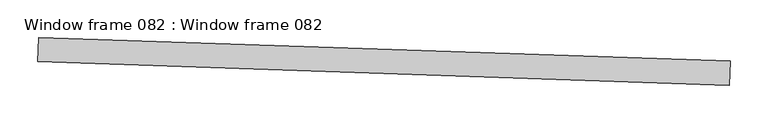
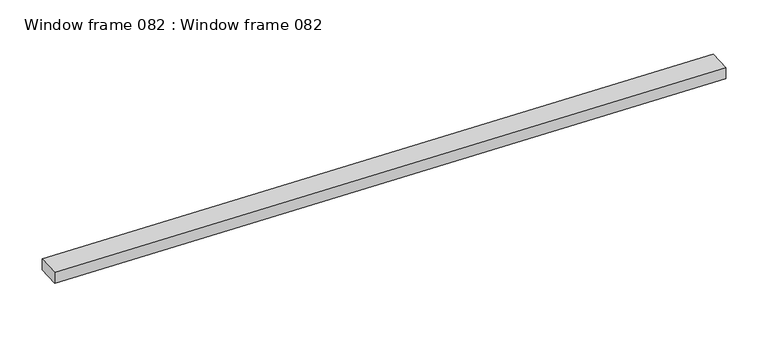
"""IFC4 building model written with IfcOpenShell, lengths in millimetres: proxy geometry, Window frame 082 : Window frame 082."""

from ifc_helpers import new_model, si_unit, frame, origin, place, context, project, spatial, polyline, outline, extrude, source, transform, mapped, element, save


def window_frame_082_window_frame_082_a9d02d19(model_context):
    return source(origin(), model_context, "Body", "SweptSolid", [
        extrude(outline(polyline([(33439.7457881, -15467.3871618), (33440.8316947, -15435.6557372), (34354.696723, -15466.9298465), (34353.6108165, -15498.6612711), (33439.7457881, -15467.3871618)])), frame((0.0, 0.0, 1178.0091508), z_axis=(0.0, 0.0, 1.0), x_axis=(1.0, 0.0, 0.0)), (0.0, 0.0, 1.0), 15.875),
    ])


if __name__ == "__main__":
    model = new_model("IFC4")
    model_context = context("Model", 3, world=origin())
    ifc_project = project(units=[si_unit("LENGTHUNIT", "METRE", prefix="MILLI")], contexts=[model_context])
    site = spatial("IfcSite", under=ifc_project)
    building = spatial("IfcBuilding", under=site)
    placement = place(None, origin())
    window_frame_082_window_frame_082_shape = window_frame_082_window_frame_082_a9d02d19(model_context)
    element("IfcBuildingElementProxy", 1, Name="Window frame 082 : Window frame 082", ObjectType="Window frame 082 : Window frame 082", at=placement, inside=building, context=model_context, shape_type="MappedRepresentation", body=[
        mapped(window_frame_082_window_frame_082_shape, transform((0.0, 0.0, 0.0), x_axis=(1.0, 0.0, 0.0), y_axis=(0.0, 1.0, 0.0), z_axis=(0.0, 0.0, 1.0))),
    ])
    save(model, "model.ifc")
